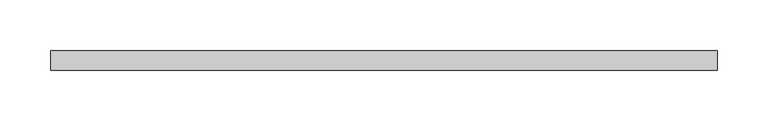
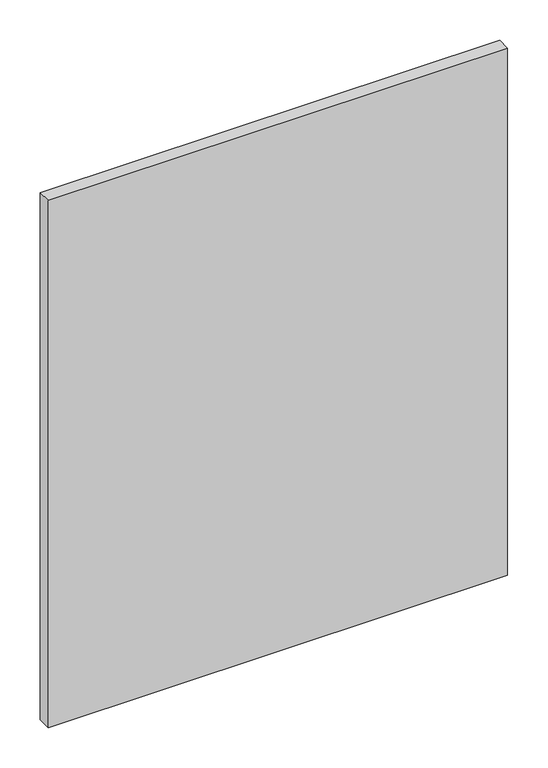
"""IFC4 building model written with IfcOpenShell, lengths in millimetres: proxy geometry."""

from ifc_helpers import new_model, si_unit, frame, origin, place, context, project, spatial, polyline, outline, extrude, source, transform, mapped, element, save


def specialty_equipment_e3bf0d1b(model_context):
    return source(origin(), model_context, "Body", "SweptSolid", [
        extrude(outline(polyline([(328.3204, 0.0), (-328.3204, 0.0), (-328.3204, 19.05), (328.3204, 19.05), (328.3204, 0.0)])), frame((0.0, 0.0, 3.175), z_axis=(0.0, 0.0, 1.0), x_axis=(1.0, 0.0, 0.0)), (0.0, 0.0, 1.0), 796.0868001),
    ])


if __name__ == "__main__":
    model = new_model("IFC4")
    model_context = context("Model", 3, world=origin())
    ifc_project = project(units=[si_unit("LENGTHUNIT", "METRE", prefix="MILLI")], contexts=[model_context])
    site = spatial("IfcSite", under=ifc_project)
    building = spatial("IfcBuilding", under=site)
    placement = place(None, origin())
    specialty_equipment_shape = specialty_equipment_e3bf0d1b(model_context)
    element("IfcBuildingElementProxy", 1, Name="Specialty Equipment", at=placement, inside=building, context=model_context, shape_type="MappedRepresentation", body=[
        mapped(specialty_equipment_shape, transform((0.0, 0.0, 0.0), x_axis=(1.0, 0.0, 0.0), y_axis=(0.0, 1.0, 0.0), z_axis=(0.0, 0.0, 1.0))),
    ])
    save(model, "model.ifc")
